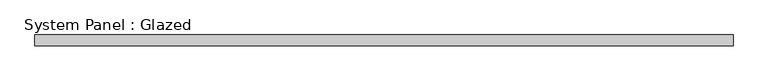
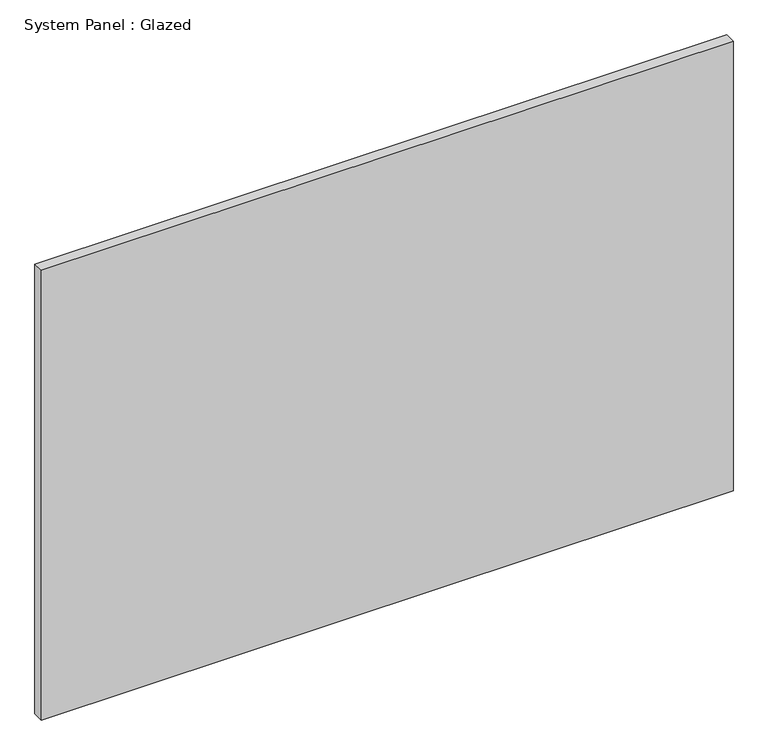
"""IFC4 building model written with IfcOpenShell, lengths in millimetres: plate geometry, System Panel : Glazed."""

from ifc_helpers import new_model, si_unit, origin, origin_with_axes, place, context, project, spatial, polyline, outline, extrude, source, transform, mapped, element, save


def system_panel_glazed_9d20b294(model_context):
    return source(origin(), model_context, "Body", "SweptSolid", [
        extrude(outline(polyline([(796.6455623, 24.5), (-796.6455623, 24.5), (-796.6455623, 49.5), (796.6455623, 49.5), (796.6455623, 24.5)])), origin_with_axes(), (0.0, 0.0, 1.0), 1095.0),
    ])


if __name__ == "__main__":
    model = new_model("IFC4")
    model_context = context("Model", 3, world=origin())
    ifc_project = project(units=[si_unit("LENGTHUNIT", "METRE", prefix="MILLI")], contexts=[model_context])
    site = spatial("IfcSite", under=ifc_project)
    building = spatial("IfcBuilding", under=site)
    placement = place(None, origin())
    system_panel_glazed_shape = system_panel_glazed_9d20b294(model_context)
    element("IfcPlate", 1, ObjectType="System Panel : Glazed", at=placement, inside=building, context=model_context, shape_type="MappedRepresentation", body=[
        mapped(system_panel_glazed_shape, transform((0.0, 0.0, 0.0), x_axis=(1.0, 0.0, 0.0), y_axis=(0.0, 1.0, 0.0), z_axis=(0.0, 0.0, 1.0))),
    ])
    save(model, "model.ifc")
